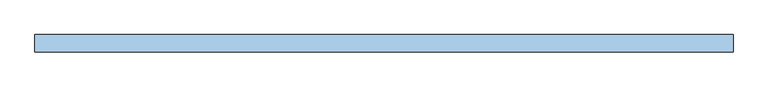
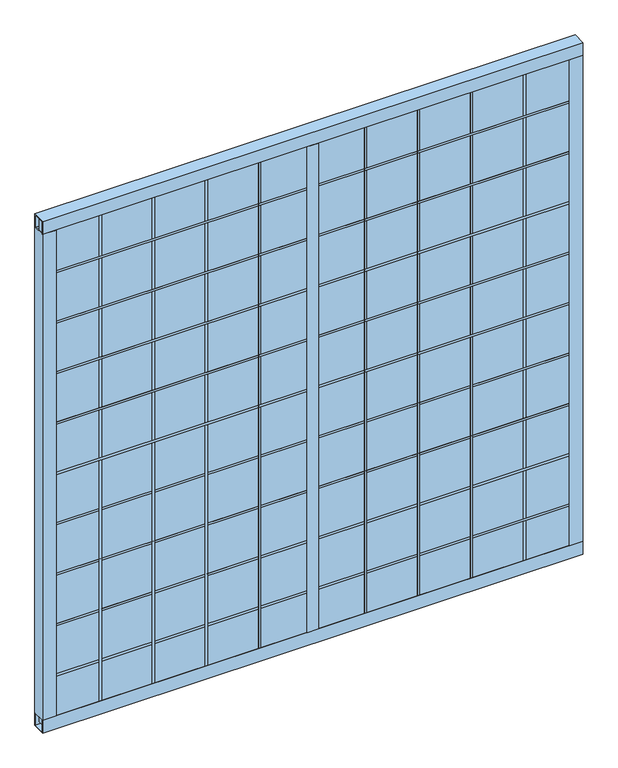
"""IFC4 building model written with IfcOpenShell, lengths in millimetres: window geometry."""

import ifcopenshell
import ifcopenshell.guid

model = None  # the IFC model being written
_history = None  # IfcOwnerHistory: only IFC2X3 demands one
_inside = {}  # id of a spatial element -> (the spatial element, [elements in it])
_under = {}  # id of a project, library or spatial element -> (it, [spatial elements below it])
_declared = {}  # id of a project -> (the project, [libraries it declares])
_typed = {}  # id of a type object -> (the type object, [elements of that type])
_made_of = {}  # id of a material, layer set ... -> (it, [elements and type objects made of it])


def new_model(schema):
    """Start an empty IFC model of exactly this schema.

    Asked for "IFC4X3", IfcOpenShell would pick the latest addendum, in which some entities
    have other attributes; the version numbers below select the first issue.
    IFC2X3 requires an IfcOwnerHistory on every rooted entity: one is made here for all.
    """
    global model, _history
    if schema == "IFC4X3":
        model = ifcopenshell.file(schema_version=(4, 3, 0, 0))
    else:
        model = ifcopenshell.file(schema=schema)
    _inside.clear()
    _under.clear()
    _declared.clear()
    _typed.clear()
    _made_of.clear()
    _history = None
    if model.schema == "IFC2X3":
        org = make("IfcOrganization", Name="unknown")
        user = make(
            "IfcPersonAndOrganization",
            ThePerson=make("IfcPerson", FamilyName="unknown"),
            TheOrganization=org,
        )
        app = make(
            "IfcApplication",
            ApplicationDeveloper=org,
            Version="unknown",
            ApplicationFullName="unknown",
            ApplicationIdentifier="unknown",
        )
        _history = make(
            "IfcOwnerHistory",
            OwningUser=user,
            OwningApplication=app,
            ChangeAction="ADDED",
            CreationDate=0,
        )
    return model


def make(cls, **values):
    """One entity of the class cls with the attributes given. An attribute that is None is left unset."""
    return model.create_entity(
        cls, **{name: value for name, value in values.items() if value is not None}
    )


def rooted(cls, **values):
    """An entity with a GlobalId (a new one), such as an element, a storey or a relation."""
    return make(cls, GlobalId=ifcopenshell.guid.new(), OwnerHistory=_history, **values)


def si_unit(unit_type, name, prefix=None):
    """IfcSIUnit, for example si_unit("LENGTHUNIT", "METRE", prefix="MILLI")."""
    return make("IfcSIUnit", UnitType=unit_type, Prefix=prefix, Name=name)


def assignment(units):
    """IfcUnitAssignment: the units of a project."""
    return None if units is None else make("IfcUnitAssignment", Units=units)


def point(xyz):
    """IfcCartesianPoint."""
    return None if xyz is None else make("IfcCartesianPoint", Coordinates=xyz)


def direction(xyz):
    """IfcDirection."""
    return None if xyz is None else make("IfcDirection", DirectionRatios=xyz)


def frame(location, z_axis=None, x_axis=None):
    """IfcAxis2Placement3D, a coordinate frame: its origin and axes. An axis left out is left unset."""
    return make(
        "IfcAxis2Placement3D",
        Location=point(location),
        Axis=direction(z_axis),
        RefDirection=direction(x_axis),
    )


def origin():
    """The frame at (0, 0, 0) with its axes left unset."""
    return frame((0.0, 0.0, 0.0))


def place(relative_to, where):
    """IfcLocalPlacement: puts the frame where relative to a parent placement (None: the world)."""
    return make(
        "IfcLocalPlacement", PlacementRelTo=relative_to, RelativePlacement=where
    )


def context(
    kind, dimensions, precision=None, world=None, true_north=None, identifier=None
):
    """IfcGeometricRepresentationContext, for example the 3D "Model" context."""
    return make(
        "IfcGeometricRepresentationContext",
        ContextIdentifier=identifier,
        ContextType=kind,
        CoordinateSpaceDimension=dimensions,
        Precision=precision,
        WorldCoordinateSystem=world,
        TrueNorth=true_north,
    )


def project(units=None, contexts=None):
    """IfcProject with its units and contexts."""
    return rooted(
        "IfcProject",
        Name="project",
        RepresentationContexts=contexts,
        UnitsInContext=assignment(units),
    )


def spatial(cls, under=None, at=None, **own):
    """A site, building, storey or space (cls), placed at a placement, below another one or the project."""
    s = rooted(cls, ObjectPlacement=at, **own)
    if under is not None:
        _under.setdefault(under.id(), (under, []))[1].append(s)
    return s


def polyline(points):
    """IfcPolyline through the points."""
    return make("IfcPolyline", Points=[point(p) for p in points])


def outline(outer, holes=None, kind="AREA"):
    """IfcArbitraryClosedProfileDef: a profile drawn as a closed curve; with holes, ...WithVoids."""
    if holes is None:
        return make("IfcArbitraryClosedProfileDef", ProfileType=kind, OuterCurve=outer)
    return make(
        "IfcArbitraryProfileDefWithVoids",
        ProfileType=kind,
        OuterCurve=outer,
        InnerCurves=holes,
    )


def extrude(swept, where, along, depth):
    """IfcExtrudedAreaSolid: the profile swept, set in the frame where, extruded along a direction by depth."""
    return make(
        "IfcExtrudedAreaSolid",
        SweptArea=swept,
        Position=where,
        ExtrudedDirection=direction(along),
        Depth=depth,
    )


def shape(context_of_items, identifier, shape_type, items):
    """IfcShapeRepresentation: the items that make up one representation, for example the "Body"."""
    return make(
        "IfcShapeRepresentation",
        ContextOfItems=context_of_items,
        RepresentationIdentifier=identifier,
        RepresentationType=shape_type,
        Items=items,
    )


def source(mapping_origin, context_of_items, identifier, shape_type, items):
    """IfcRepresentationMap: a shape defined once, which mapped items show again and again."""
    return make(
        "IfcRepresentationMap",
        MappingOrigin=mapping_origin,
        MappedRepresentation=shape(context_of_items, identifier, shape_type, items),
    )


def transform(
    local_origin,
    x_axis=None,
    y_axis=None,
    z_axis=None,
    scale=None,
    scale2=None,
    scale3=None,
    uniform=True,
):
    """IfcCartesianTransformationOperator3D, or its non-uniform kind. x_axis, y_axis, z_axis: its Axis1, 2, 3."""
    if uniform:
        return make(
            "IfcCartesianTransformationOperator3D",
            Axis1=direction(x_axis),
            Axis2=direction(y_axis),
            LocalOrigin=point(local_origin),
            Scale=scale,
            Axis3=direction(z_axis),
        )
    return make(
        "IfcCartesianTransformationOperator3DnonUniform",
        Axis1=direction(x_axis),
        Axis2=direction(y_axis),
        LocalOrigin=point(local_origin),
        Scale=scale,
        Axis3=direction(z_axis),
        Scale2=scale2,
        Scale3=scale3,
    )


def mapped(mapping_source, mapping_target):
    """IfcMappedItem: shows the shape of a source again, moved by a transform."""
    return make(
        "IfcMappedItem", MappingSource=mapping_source, MappingTarget=mapping_target
    )


def made_of(thing, what):
    """Note that an element or type object is made of a material, layer set ...; save() writes the relation."""
    if what is not None:
        _made_of.setdefault(what.id(), (what, []))[1].append(thing)
    return thing


def element(
    cls,
    number,
    at=None,
    inside=None,
    cuts=None,
    type_object=None,
    material=None,
    context=None,
    identifier="Body",
    shape_type=None,
    held_by="IfcProductDefinitionShape",
    body=None,
    shapes=None,
    **own,
):
    """One element of the class cls, such as IfcWall. Its Tag is "e" and its number.

    at: its placement. inside: the storey or other place that contains it. cuts: it is an
    opening in that element (IfcRelVoidsElement). A single representation is given by context,
    identifier, shape_type and body (its items); several are given by shapes. held_by: the class
    of the entity that holds the representations. save() writes the other relations.
    """
    e = rooted(cls, Tag="e%d" % number, ObjectPlacement=at, **own)
    if body is not None:
        shapes = [shape(context, identifier, shape_type, body)]
    if shapes is not None:
        e.Representation = make(held_by, Representations=shapes)
    if inside is not None:
        _inside.setdefault(inside.id(), (inside, []))[1].append(e)
    if cuts is not None:
        rooted(
            "IfcRelVoidsElement", RelatingBuildingElement=cuts, RelatedOpeningElement=e
        )
    if type_object is not None:
        _typed.setdefault(type_object.id(), (type_object, []))[1].append(e)
    return made_of(e, material)


def aggregate(whole, parts):
    """IfcRelAggregates: a whole, such as a stair, and the parts it consists of."""
    return rooted("IfcRelAggregates", RelatingObject=whole, RelatedObjects=parts)


def save(model, path):
    """Write the relations noted so far, then the file.

    IfcRelAggregates (storeys below a building ...), IfcRelContainedInSpatialStructure (elements
    in a storey), IfcRelDefinesByType, IfcRelAssociatesMaterial and IfcRelDeclares: one each for
    every whole, place, type object, material and project.
    """
    for whole, parts in _under.values():
        aggregate(whole, parts)
    for where, things in _inside.values():
        rooted(
            "IfcRelContainedInSpatialStructure",
            RelatedElements=things,
            RelatingStructure=where,
        )
    for kind, things in _typed.values():
        rooted("IfcRelDefinesByType", RelatedObjects=things, RelatingType=kind)
    for what, things in _made_of.values():
        rooted("IfcRelAssociatesMaterial", RelatedObjects=things, RelatingMaterial=what)
    for by, libraries in _declared.values():
        rooted("IfcRelDeclares", RelatingContext=by, RelatedDefinitions=libraries)
    model.write(path)


def window_c8562db4(model_context):
    return source(origin(), model_context, "Body", "SweptSolid", [
        extrude(outline(polyline([(28.575, -6.35), (28.575, 63.5), (3018.63125, 63.5), (3018.63125, -6.35), (28.575, -6.35)])), frame((0.0, 0.0, 2712.72), z_axis=(0.0, 0.0, 1.0), x_axis=(1.0, 0.0, 0.0)), (0.0, 0.0, 1.0), 12.7),
        extrude(outline(polyline([(28.575, -6.35), (28.575, 63.5), (3018.63125, 63.5), (3018.63125, -6.35), (28.575, -6.35)])), frame((0.0, 0.0, 2412.365), z_axis=(0.0, 0.0, 1.0), x_axis=(1.0, 0.0, 0.0)), (0.0, 0.0, 1.0), 12.7),
        extrude(outline(polyline([(28.575, -6.35), (28.575, 63.5), (3018.63125, 63.5), (3018.63125, -6.35), (28.575, -6.35)])), frame((0.0, 0.0, 2112.01), z_axis=(0.0, 0.0, 1.0), x_axis=(1.0, 0.0, 0.0)), (0.0, 0.0, 1.0), 12.7),
        extrude(outline(polyline([(28.575, -6.35), (28.575, 63.5), (3018.63125, 63.5), (3018.63125, -6.35), (28.575, -6.35)])), frame((0.0, 0.0, 1811.655), z_axis=(0.0, 0.0, 1.0), x_axis=(1.0, 0.0, 0.0)), (0.0, 0.0, 1.0), 12.7),
        extrude(outline(polyline([(28.575, -6.35), (28.575, 63.5), (3018.63125, 63.5), (3018.63125, -6.35), (28.575, -6.35)])), frame((0.0, 0.0, 1511.3), z_axis=(0.0, 0.0, 1.0), x_axis=(1.0, 0.0, 0.0)), (0.0, 0.0, 1.0), 12.7),
        extrude(outline(polyline([(334.01, -6.35), (321.31, -6.35), (321.31, 63.5), (334.01, 63.5), (334.01, -6.35)])), frame((0.0, 0.0, 15.875), z_axis=(0.0, 0.0, 1.0), x_axis=(1.0, 0.0, 0.0)), (0.0, 0.0, 1.0), 3003.55),
        extrude(outline(polyline([(633.095, -6.35), (620.395, -6.35), (620.395, 63.5), (633.095, 63.5), (633.095, -6.35)])), frame((0.0, 0.0, 15.875), z_axis=(0.0, 0.0, 1.0), x_axis=(1.0, 0.0, 0.0)), (0.0, 0.0, 1.0), 3003.55),
        extrude(outline(polyline([(932.18, -6.35), (919.48, -6.35), (919.48, 63.5), (932.18, 63.5), (932.18, -6.35)])), frame((0.0, 0.0, 15.875), z_axis=(0.0, 0.0, 1.0), x_axis=(1.0, 0.0, 0.0)), (0.0, 0.0, 1.0), 3003.55),
        extrude(outline(polyline([(1231.265, -6.35), (1218.565, -6.35), (1218.565, 63.5), (1231.265, 63.5), (1231.265, -6.35)])), frame((0.0, 0.0, 15.875), z_axis=(0.0, 0.0, 1.0), x_axis=(1.0, 0.0, 0.0)), (0.0, 0.0, 1.0), 3003.55),
        extrude(outline(polyline([(1530.35, -6.35), (1517.65, -6.35), (1517.65, 63.5), (1530.35, 63.5), (1530.35, -6.35)])), frame((0.0, 0.0, 15.875), z_axis=(0.0, 0.0, 1.0), x_axis=(1.0, 0.0, 0.0)), (0.0, 0.0, 1.0), 3003.55),
        extrude(outline(polyline([(1829.435, -6.35), (1816.735, -6.35), (1816.735, 63.5), (1829.435, 63.5), (1829.435, -6.35)])), frame((0.0, 0.0, 15.875), z_axis=(0.0, 0.0, 1.0), x_axis=(1.0, 0.0, 0.0)), (0.0, 0.0, 1.0), 3003.55),
        extrude(outline(polyline([(2128.52, -6.35), (2115.82, -6.35), (2115.82, 63.5), (2128.52, 63.5), (2128.52, -6.35)])), frame((0.0, 0.0, 15.875), z_axis=(0.0, 0.0, 1.0), x_axis=(1.0, 0.0, 0.0)), (0.0, 0.0, 1.0), 3003.55),
        extrude(outline(polyline([(2427.605, -6.35), (2414.905, -6.35), (2414.905, 63.5), (2427.605, 63.5), (2427.605, -6.35)])), frame((0.0, 0.0, 15.875), z_axis=(0.0, 0.0, 1.0), x_axis=(1.0, 0.0, 0.0)), (0.0, 0.0, 1.0), 3003.55),
        extrude(outline(polyline([(28.575, -6.35), (28.575, 63.5), (3018.63125, 63.5), (3018.63125, -6.35), (28.575, -6.35)])), frame((0.0, 0.0, 1210.945), z_axis=(0.0, 0.0, 1.0), x_axis=(1.0, 0.0, 0.0)), (0.0, 0.0, 1.0), 12.7),
        extrude(outline(polyline([(28.575, -6.35), (28.575, 63.5), (3018.63125, 63.5), (3018.63125, -6.35), (28.575, -6.35)])), frame((0.0, 0.0, 910.59), z_axis=(0.0, 0.0, 1.0), x_axis=(1.0, 0.0, 0.0)), (0.0, 0.0, 1.0), 12.7),
        extrude(outline(polyline([(28.575, -6.35), (28.575, 63.5), (3018.63125, 63.5), (3018.63125, -6.35), (28.575, -6.35)])), frame((0.0, 0.0, 610.235), z_axis=(0.0, 0.0, 1.0), x_axis=(1.0, 0.0, 0.0)), (0.0, 0.0, 1.0), 12.7),
        extrude(outline(polyline([(28.575, -6.35), (28.575, 63.5), (3018.63125, 63.5), (3018.63125, -6.35), (28.575, -6.35)])), frame((0.0, 0.0, 309.88), z_axis=(0.0, 0.0, 1.0), x_axis=(1.0, 0.0, 0.0)), (0.0, 0.0, 1.0), 12.7),
        extrude(outline(polyline([(28.575, -6.35), (28.575, 63.5), (3018.63125, 63.5), (3018.63125, -6.35), (28.575, -6.35)])), frame((0.0, 0.0, 3013.075), z_axis=(0.0, 0.0, 1.0), x_axis=(1.0, 0.0, 0.0)), (0.0, 0.0, 1.0), 12.7),
        extrude(outline(polyline([(28.575, -6.35), (28.575, 63.5), (3018.63125, 63.5), (3018.63125, -6.35), (28.575, -6.35)])), frame((0.0, 0.0, 9.525), z_axis=(0.0, 0.0, 1.0), x_axis=(1.0, 0.0, 0.0)), (0.0, 0.0, 1.0), 12.7),
        extrude(outline(polyline([(1492.25, -9.525), (1492.25, 66.675), (1555.75, 66.675), (1555.75, -9.525), (1492.25, -9.525)])), frame((0.0, 0.0, 76.2), z_axis=(0.0, 0.0, 1.0), x_axis=(1.0, 0.0, 0.0)), (0.0, 0.0, 1.0), 2895.6),
        extrude(outline(polyline([(2726.69, -6.35), (2713.99, -6.35), (2713.99, 63.5), (2726.69, 63.5), (2726.69, -6.35)])), frame((0.0, 0.0, 15.875), z_axis=(0.0, 0.0, 1.0), x_axis=(1.0, 0.0, 0.0)), (0.0, 0.0, 1.0), 3003.55),
        extrude(outline(polyline([(34.925, -6.35), (22.225, -6.35), (22.225, 63.5), (34.925, 63.5), (34.925, -6.35)])), frame((0.0, 0.0, 15.875), z_axis=(0.0, 0.0, 1.0), x_axis=(1.0, 0.0, 0.0)), (0.0, 0.0, 1.0), 3003.55),
        extrude(outline(polyline([(28.575, 63.5), (3019.425, 63.5), (3019.425, -6.35), (28.575, -6.35), (28.575, 63.5)])), frame((0.0, 0.0, 15.875), z_axis=(0.0, 0.0, 1.0), x_axis=(1.0, 0.0, 0.0)), (0.0, 0.0, 1.0), 3003.55),
        extrude(outline(polyline([(3025.775, -6.35), (3013.075, -6.35), (3013.075, 63.5), (3025.775, 63.5), (3025.775, -6.35)])), frame((0.0, 0.0, 15.875), z_axis=(0.0, 0.0, 1.0), x_axis=(1.0, 0.0, 0.0)), (0.0, 0.0, 1.0), 3003.55),
        extrude(outline(polyline([(-9.525, 3048.0), (66.675, 3048.0), (66.675, 2971.8), (63.5, 2971.8), (63.5, 3044.825), (-6.35, 3044.825), (-6.35, 2971.8), (-9.525, 2971.8), (-9.525, 3048.0)])), frame((0.0, 0.0, 0.0), z_axis=(1.0, 0.0, 0.0), x_axis=(0.0, 1.0, 0.0)), (0.0, 0.0, 1.0), 3048.0),
        extrude(outline(polyline([(0.0, 66.675), (76.2, 66.675), (76.2, 63.5), (3.175, 63.5), (3.175, -6.35), (76.2, -6.35), (76.2, -9.525), (0.0, -9.525), (0.0, 66.675)])), frame((0.0, 0.0, 76.2), z_axis=(0.0, 0.0, 1.0), x_axis=(1.0, 0.0, 0.0)), (0.0, 0.0, 1.0), 2895.6),
        extrude(outline(polyline([(3048.0, 66.675), (3048.0, -9.525), (2971.8, -9.525), (2971.8, -6.35), (3044.825, -6.35), (3044.825, 63.5), (2971.8, 63.5), (2971.8, 66.675), (3048.0, 66.675)])), frame((0.0, 0.0, 76.2), z_axis=(0.0, 0.0, 1.0), x_axis=(1.0, 0.0, 0.0)), (0.0, 0.0, 1.0), 2895.6),
        extrude(outline(polyline([(-9.525, 0.0), (-9.525, 76.2), (-6.35, 76.2), (-6.35, 3.175), (63.5, 3.175), (63.5, 76.2), (66.675, 76.2), (66.675, 0.0), (-9.525, 0.0)])), frame((0.0, 0.0, 0.0), z_axis=(1.0, 0.0, 0.0), x_axis=(0.0, 1.0, 0.0)), (0.0, 0.0, 1.0), 3048.0),
    ])


if __name__ == "__main__":
    model = new_model("IFC4")
    model_context = context("Model", 3, world=origin())
    ifc_project = project(units=[si_unit("LENGTHUNIT", "METRE", prefix="MILLI")], contexts=[model_context])
    site = spatial("IfcSite", under=ifc_project)
    building = spatial("IfcBuilding", under=site)
    placement = place(None, origin())
    window_shape = window_c8562db4(model_context)
    element("IfcWindow", 1, at=placement, inside=building, context=model_context, shape_type="MappedRepresentation", body=[
        mapped(window_shape, transform((0.0, 0.0, 0.0), x_axis=(1.0, 0.0, 0.0), y_axis=(0.0, 1.0, 0.0), z_axis=(0.0, 0.0, 1.0))),
    ])
    save(model, "model.ifc")
